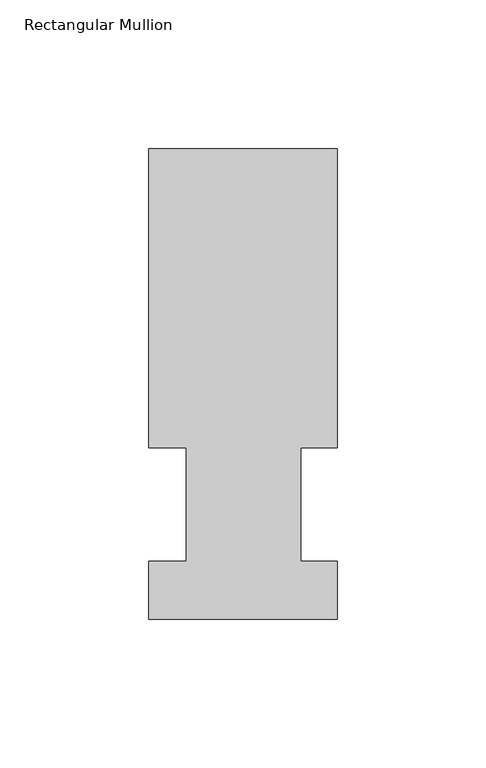
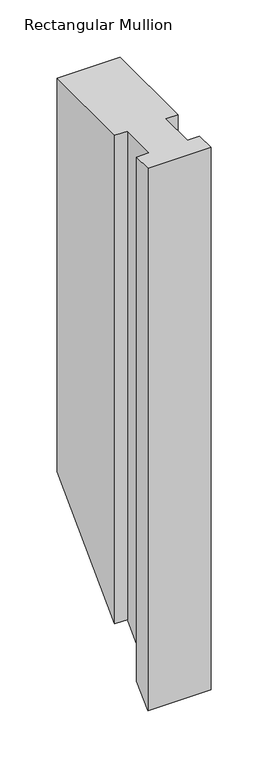
"""IFC4 building model written with IfcOpenShell, lengths in millimetres: member geometry, Rectangular Mullion."""

from ifc_helpers import new_model, si_unit, origin, place, context, project, spatial, faceted_brep, source, transform, mapped, element, save


def rectangular_mullion_87dfd8e0(model_context):
    return source(origin(), model_context, "Body", "Brep", [
        faceted_brep([(-63.5, 57.6460937, 0.0), (-50.8, 57.6460937, 0.0), (-50.8, 19.5460937, 0.0), (-63.5, 19.5460937, 0.0), (-63.5, 0.0134937, 0.0), (0.0, 0.0134937, 0.0), (0.0, 19.5460937, 0.0), (-12.3418395, 19.5460937, 0.0), (-12.3418395, 57.6460937, 0.0), (0.0, 57.6460937, 0.0), (0.0, 158.3316937, 0.0), (-63.5, 158.3316937, 0.0), (-63.5, 57.6460937, -520.2039062), (-50.8, 57.6460937, -520.2039062), (-50.8, 19.5460937, -558.3039063), (-63.5, 19.5460937, -558.3039063), (-63.5, 0.0134937, -577.8365062), (0.0, 0.0134937, -577.8365062), (0.0, 19.5460937, -558.3039063), (-12.3418395, 19.5460937, -558.3039063), (-12.3418395, 57.6460937, -520.2039062), (0.0, 57.6460938, -520.2039062), (0.0, 158.3316937, -419.5183062), (-63.5, 158.3316937, -419.5183063)], [[[0, 1, 2, 3, 4, 5, 6, 7, 8, 9, 10, 11]], [[1, 0, 12, 13]], [[2, 1, 13, 14]], [[3, 2, 14, 15]], [[4, 3, 15, 16]], [[5, 4, 16, 17]], [[6, 5, 17, 18]], [[7, 6, 18, 19]], [[8, 7, 19, 20]], [[9, 8, 20, 21]], [[10, 9, 21, 22]], [[11, 10, 22, 23]], [[0, 11, 23, 12]], [[12, 23, 22, 21, 20, 19, 18, 17, 16, 15, 14, 13]]]),
    ])


if __name__ == "__main__":
    model = new_model("IFC4")
    model_context = context("Model", 3, world=origin())
    ifc_project = project(units=[si_unit("LENGTHUNIT", "METRE", prefix="MILLI")], contexts=[model_context])
    site = spatial("IfcSite", under=ifc_project)
    building = spatial("IfcBuilding", under=site)
    placement = place(None, origin())
    rectangular_mullion_shape = rectangular_mullion_87dfd8e0(model_context)
    element("IfcMember", 1, ObjectType="Rectangular Mullion", at=placement, inside=building, context=model_context, shape_type="MappedRepresentation", body=[
        mapped(rectangular_mullion_shape, transform((0.0, 0.0, 0.0), x_axis=(1.0, 0.0, 0.0), y_axis=(0.0, 1.0, 0.0), z_axis=(0.0, 0.0, 1.0))),
    ])
    save(model, "model.ifc")
